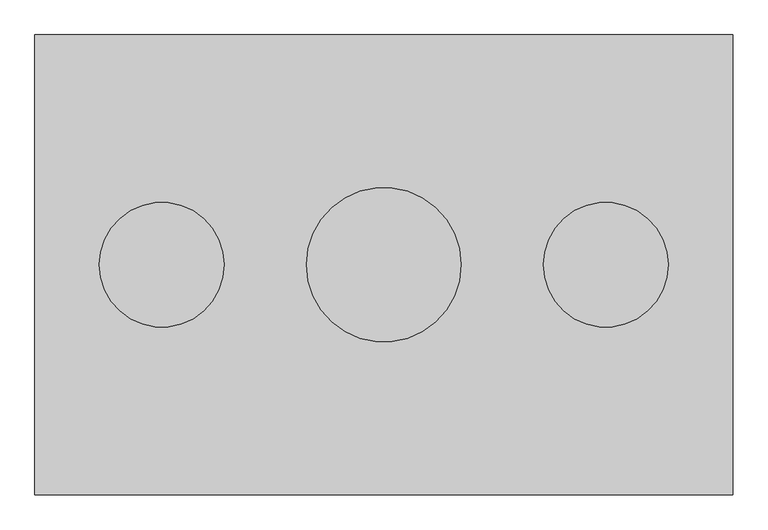
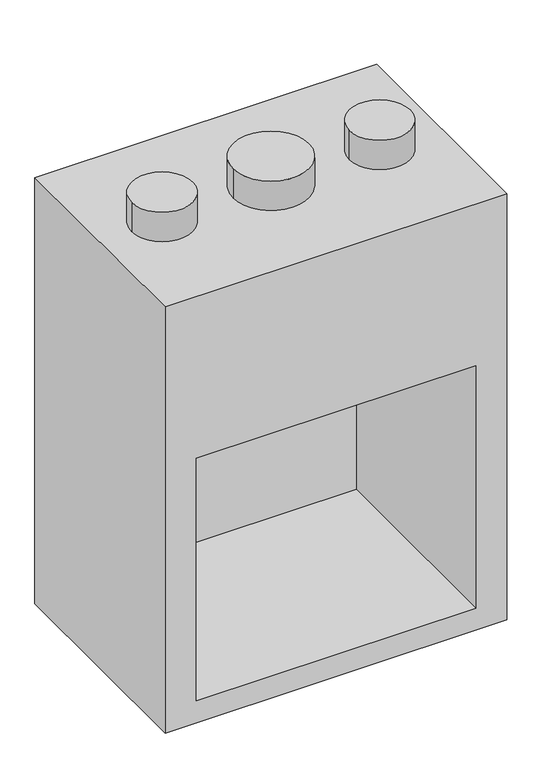
"""IFC4 building model written with IfcOpenShell, lengths in millimetres: proxy geometry."""

from ifc_helpers import new_model, si_unit, point, frame, frame_2d, origin, origin_2d, place, context, project, spatial, circle_curve, trimmed, segment, composite_curve, outline, extrude, faceted_brep, source, transform, mapped, element, save


def generic_models_7038497d(model_context):
    return source(origin(), model_context, "Body", "SolidModel", [
        faceted_brep([(558.8, 368.3, 1473.2), (-558.8, 368.3, 1473.2), (-558.8, -368.3, 1473.2), (558.8, -368.3, 1473.2), (558.8, 368.3, 0.0), (558.8, -368.3, 0.0), (-558.8, -368.3, 0.0), (-558.8, 368.3, 0.0), (-457.2, -368.3, 914.4), (457.2, -368.3, 914.4), (457.2, -368.3, 76.2), (-457.2, -368.3, 76.2), (457.2, 308.4563686, 914.4), (-457.2, 308.4563686, 914.4), (-457.2, 308.4563686, 76.2), (457.2, 308.4563686, 76.2)], [[[0, 1, 2, 3]], [[4, 5, 6, 7]], [[1, 0, 4, 7]], [[2, 1, 7, 6]], [[3, 2, 6, 5], [8, 9, 10, 11]], [[0, 3, 5, 4]], [[12, 13, 14, 15]], [[13, 12, 9, 8]], [[14, 13, 8, 11]], [[15, 14, 11, 10]], [[12, 15, 10, 9]]]),
        extrude(outline(composite_curve([segment(trimmed(circle_curve(origin_2d(), 123.825), [point((-123.825, 0.0))], [point((123.825, 0.0))], False, "CARTESIAN"), True, "CONTINUOUS"), segment(trimmed(circle_curve(origin_2d(), 123.825), [point((123.825, 0.0))], [point((-123.825, 0.0))], False, "CARTESIAN"), True, "CONTINUOUS")], self_intersect=False)), frame((0.0, 0.0, 1473.2), z_axis=(0.0, 0.0, 1.0), x_axis=(1.0, 0.0, 0.0)), (0.0, 0.0, 1.0), 101.6),
        extrude(outline(composite_curve([segment(trimmed(circle_curve(frame_2d((-355.6, 0.0)), 100.0125), [point((-455.6125, 0.0))], [point((-255.5875, 0.0))], False, "CARTESIAN"), True, "CONTINUOUS"), segment(trimmed(circle_curve(frame_2d((-355.6, 0.0)), 100.0125), [point((-255.5875, 0.0))], [point((-455.6125, 0.0))], False, "CARTESIAN"), True, "CONTINUOUS")], self_intersect=False)), frame((0.0, 0.0, 1473.2), z_axis=(0.0, 0.0, 1.0), x_axis=(1.0, 0.0, 0.0)), (0.0, 0.0, 1.0), 101.6),
        extrude(outline(composite_curve([segment(trimmed(circle_curve(frame_2d((355.6, 0.0)), 100.0125), [point((255.5875, 0.0))], [point((455.6125, 0.0))], False, "CARTESIAN"), True, "CONTINUOUS"), segment(trimmed(circle_curve(frame_2d((355.6, 0.0)), 100.0125), [point((455.6125, 0.0))], [point((255.5875, 0.0))], False, "CARTESIAN"), True, "CONTINUOUS")], self_intersect=False)), frame((0.0, 0.0, 1473.2), z_axis=(0.0, 0.0, 1.0), x_axis=(1.0, 0.0, 0.0)), (0.0, 0.0, 1.0), 101.6),
    ])


if __name__ == "__main__":
    model = new_model("IFC4")
    model_context = context("Model", 3, world=origin())
    ifc_project = project(units=[si_unit("LENGTHUNIT", "METRE", prefix="MILLI")], contexts=[model_context])
    site = spatial("IfcSite", under=ifc_project)
    building = spatial("IfcBuilding", under=site)
    placement = place(None, origin())
    generic_models_shape = generic_models_7038497d(model_context)
    element("IfcBuildingElementProxy", 1, Name="Generic Models", at=placement, inside=building, context=model_context, shape_type="MappedRepresentation", body=[
        mapped(generic_models_shape, transform((0.0, 0.0, 0.0), x_axis=(1.0, 0.0, 0.0), y_axis=(0.0, 1.0, 0.0), z_axis=(0.0, 0.0, 1.0))),
    ])
    save(model, "model.ifc")
